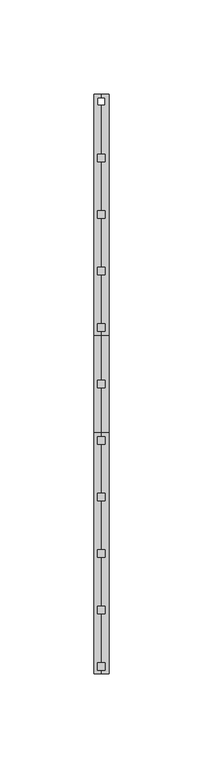
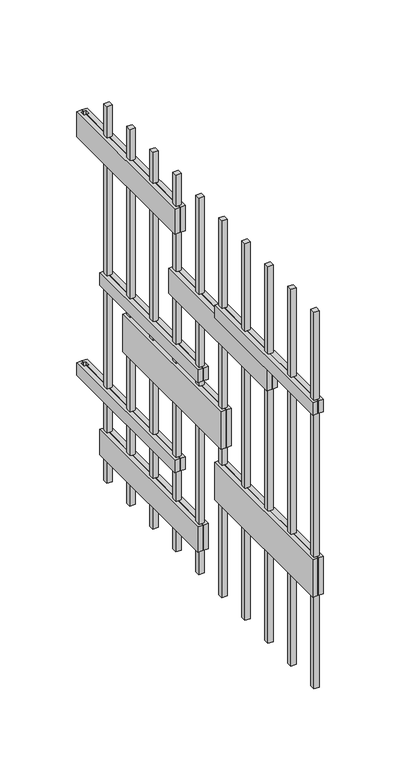
"""IFC4 building model written with IfcOpenShell, lengths in millimetres: proxy geometry."""

from ifc_helpers import new_model, si_unit, frame, origin, origin_with_axes, place, context, project, spatial, polyline, outline, extrude, source, transform, mapped, element, save


def generic_models_24c3d684(model_context):
    return source(origin(), model_context, "Body", "SweptSolid", [
        extrude(outline(polyline([(2.0, -242.0), (-2.0, -242.0), (-2.0, -238.0), (2.0, -238.0), (2.0, -242.0)])), origin_with_axes(), (0.0, 0.0, 1.0), 300.0),
        extrude(outline(polyline([(2.0, -272.0), (-2.0, -272.0), (-2.0, -268.0), (2.0, -268.0), (2.0, -272.0)])), origin_with_axes(), (0.0, 0.0, 1.0), 300.0),
        extrude(outline(polyline([(4.0, 34.0), (4.0, -94.0), (0.0, -94.0), (0.0, -92.0), (2.0, -92.0), (2.0, -88.0), (0.0, -88.0), (0.0, -62.0), (2.0, -62.0), (2.0, -58.0), (0.0, -58.0), (0.0, -32.0), (2.0, -32.0), (2.0, -28.0), (0.0, -28.0), (0.0, -2.0), (2.0, -2.0), (2.0, 2.0), (0.0, 2.0), (0.0, 28.0), (2.0, 28.0), (2.0, 32.0), (0.0, 32.0), (0.0, 34.0), (4.0, 34.0)])), frame((0.0, 0.0, 65.0), z_axis=(0.0, 0.0, 1.0), x_axis=(1.0, 0.0, 0.0)), (0.0, 0.0, 1.0), 10.0),
        extrude(outline(polyline([(4.0, 4.0), (4.0, -124.0), (0.0, -124.0), (0.0, -122.0), (2.0, -122.0), (2.0, -118.0), (0.0, -118.0), (0.0, -92.0), (2.0, -92.0), (2.0, -88.0), (0.0, -88.0), (0.0, -62.0), (2.0, -62.0), (2.0, -58.0), (0.0, -58.0), (0.0, -32.0), (2.0, -32.0), (2.0, -28.0), (0.0, -28.0), (0.0, -2.0), (2.0, -2.0), (2.0, 2.0), (0.0, 2.0), (0.0, 4.0), (4.0, 4.0)])), frame((0.0, 0.0, 20.0), z_axis=(0.0, 0.0, 1.0), x_axis=(1.0, 0.0, 0.0)), (0.0, 0.0, 1.0), 20.0),
        extrude(outline(polyline([(4.0, -146.0), (4.0, -274.0), (0.0, -274.0), (0.0, -272.0), (2.0, -272.0), (2.0, -268.0), (0.0, -268.0), (0.0, -242.0), (2.0, -242.0), (2.0, -238.0), (0.0, -238.0), (0.0, -212.0), (2.0, -212.0), (2.0, -208.0), (0.0, -208.0), (0.0, -182.0), (2.0, -182.0), (2.0, -178.0), (0.0, -178.0), (0.0, -152.0), (2.0, -152.0), (2.0, -148.0), (0.0, -148.0), (0.0, -146.0), (4.0, -146.0)])), frame((0.0, 0.0, 75.0), z_axis=(0.0, 0.0, 1.0), x_axis=(1.0, 0.0, 0.0)), (0.0, 0.0, 1.0), 30.0),
        extrude(outline(polyline([(4.0, -26.0), (4.0, -154.0), (0.0, -154.0), (0.0, -152.0), (2.0, -152.0), (2.0, -148.0), (0.0, -148.0), (0.0, -122.0), (2.0, -122.0), (2.0, -118.0), (0.0, -118.0), (0.0, -92.0), (2.0, -92.0), (2.0, -88.0), (0.0, -88.0), (0.0, -62.0), (2.0, -62.0), (2.0, -58.0), (0.0, -58.0), (0.0, -32.0), (2.0, -32.0), (2.0, -28.0), (0.0, -28.0), (0.0, -26.0), (4.0, -26.0)])), frame((0.0, 0.0, 120.0), z_axis=(0.0, 0.0, 1.0), x_axis=(1.0, 0.0, 0.0)), (0.0, 0.0, 1.0), 30.0),
        extrude(outline(polyline([(4.0, 4.0), (4.0, -124.0), (0.0, -124.0), (0.0, -122.0), (2.0, -122.0), (2.0, -118.0), (0.0, -118.0), (0.0, -92.0), (2.0, -92.0), (2.0, -88.0), (0.0, -88.0), (0.0, -62.0), (2.0, -62.0), (2.0, -58.0), (0.0, -58.0), (0.0, -32.0), (2.0, -32.0), (2.0, -28.0), (0.0, -28.0), (0.0, -2.0), (2.0, -2.0), (2.0, 2.0), (0.0, 2.0), (0.0, 4.0), (4.0, 4.0)])), frame((0.0, 0.0, 155.0), z_axis=(0.0, 0.0, 1.0), x_axis=(1.0, 0.0, 0.0)), (0.0, 0.0, 1.0), 10.0),
        extrude(outline(polyline([(4.0, -86.0), (4.0, -214.0), (0.0, -214.0), (0.0, -212.0), (2.0, -212.0), (2.0, -208.0), (0.0, -208.0), (0.0, -182.0), (2.0, -182.0), (2.0, -178.0), (0.0, -178.0), (0.0, -152.0), (2.0, -152.0), (2.0, -148.0), (0.0, -148.0), (0.0, -122.0), (2.0, -122.0), (2.0, -118.0), (0.0, -118.0), (0.0, -92.0), (2.0, -92.0), (2.0, -88.0), (0.0, -88.0), (0.0, -86.0), (4.0, -86.0)])), frame((0.0, 0.0, 203.0), z_axis=(0.0, 0.0, 1.0), x_axis=(1.0, 0.0, 0.0)), (0.0, 0.0, 1.0), 20.0),
        extrude(outline(polyline([(4.0, -146.0), (4.0, -274.0), (0.0, -274.0), (0.0, -272.0), (2.0, -272.0), (2.0, -268.0), (0.0, -268.0), (0.0, -242.0), (2.0, -242.0), (2.0, -238.0), (0.0, -238.0), (0.0, -212.0), (2.0, -212.0), (2.0, -208.0), (0.0, -208.0), (0.0, -182.0), (2.0, -182.0), (2.0, -178.0), (0.0, -178.0), (0.0, -152.0), (2.0, -152.0), (2.0, -148.0), (0.0, -148.0), (0.0, -146.0), (4.0, -146.0)])), frame((0.0, 0.0, 220.0), z_axis=(0.0, 0.0, 1.0), x_axis=(1.0, 0.0, 0.0)), (0.0, 0.0, 1.0), 10.0),
        extrude(outline(polyline([(4.0, 34.0), (4.0, -94.0), (0.0, -94.0), (0.0, -92.0), (2.0, -92.0), (2.0, -88.0), (0.0, -88.0), (0.0, -62.0), (2.0, -62.0), (2.0, -58.0), (0.0, -58.0), (0.0, -32.0), (2.0, -32.0), (2.0, -28.0), (0.0, -28.0), (0.0, -2.0), (2.0, -2.0), (2.0, 2.0), (0.0, 2.0), (0.0, 28.0), (2.0, 28.0), (2.0, 32.0), (0.0, 32.0), (0.0, 34.0), (4.0, 34.0)])), frame((0.0, 0.0, 255.0), z_axis=(0.0, 0.0, 1.0), x_axis=(1.0, 0.0, 0.0)), (0.0, 0.0, 1.0), 20.0),
        extrude(outline(polyline([(-4.0, -274.0), (-4.0, -146.0), (0.0, -146.0), (0.0, -148.0), (-2.0, -148.0), (-2.0, -152.0), (0.0, -152.0), (0.0, -178.0), (-2.0, -178.0), (-2.0, -182.0), (0.0, -182.0), (0.0, -208.0), (-2.0, -208.0), (-2.0, -212.0), (0.0, -212.0), (0.0, -238.0), (-2.0, -238.0), (-2.0, -242.0), (0.0, -242.0), (0.0, -268.0), (-2.0, -268.0), (-2.0, -272.0), (0.0, -272.0), (0.0, -274.0), (-4.0, -274.0)])), frame((0.0, 0.0, 220.0), z_axis=(0.0, 0.0, 1.0), x_axis=(1.0, 0.0, 0.0)), (0.0, 0.0, 1.0), 10.0),
        extrude(outline(polyline([(-4.0, -274.0), (-4.0, -146.0), (0.0, -146.0), (0.0, -148.0), (-2.0, -148.0), (-2.0, -152.0), (0.0, -152.0), (0.0, -178.0), (-2.0, -178.0), (-2.0, -182.0), (0.0, -182.0), (0.0, -208.0), (-2.0, -208.0), (-2.0, -212.0), (0.0, -212.0), (0.0, -238.0), (-2.0, -238.0), (-2.0, -242.0), (0.0, -242.0), (0.0, -268.0), (-2.0, -268.0), (-2.0, -272.0), (0.0, -272.0), (0.0, -274.0), (-4.0, -274.0)])), frame((0.0, 0.0, 75.0), z_axis=(0.0, 0.0, 1.0), x_axis=(1.0, 0.0, 0.0)), (0.0, 0.0, 1.0), 30.0),
        extrude(outline(polyline([(-4.0, -94.0), (-4.0, 34.0), (0.0, 34.0), (0.0, 32.0), (-2.0, 32.0), (-2.0, 28.0), (0.0, 28.0), (0.0, 2.0), (-2.0, 2.0), (-2.0, -2.0), (0.0, -2.0), (0.0, -28.0), (-2.0, -28.0), (-2.0, -32.0), (0.0, -32.0), (0.0, -58.0), (-2.0, -58.0), (-2.0, -62.0), (0.0, -62.0), (0.0, -88.0), (-2.0, -88.0), (-2.0, -92.0), (0.0, -92.0), (0.0, -94.0), (-4.0, -94.0)])), frame((0.0, 0.0, 255.0), z_axis=(0.0, 0.0, 1.0), x_axis=(1.0, 0.0, 0.0)), (0.0, 0.0, 1.0), 20.0),
        extrude(outline(polyline([(2.0, -212.0), (-2.0, -212.0), (-2.0, -208.0), (2.0, -208.0), (2.0, -212.0)])), origin_with_axes(), (0.0, 0.0, 1.0), 300.0),
        extrude(outline(polyline([(2.0, -182.0), (-2.0, -182.0), (-2.0, -178.0), (2.0, -178.0), (2.0, -182.0)])), origin_with_axes(), (0.0, 0.0, 1.0), 300.0),
        extrude(outline(polyline([(-4.0, -214.0), (-4.0, -86.0), (0.0, -86.0), (0.0, -88.0), (-2.0, -88.0), (-2.0, -92.0), (0.0, -92.0), (0.0, -118.0), (-2.0, -118.0), (-2.0, -122.0), (0.0, -122.0), (0.0, -148.0), (-2.0, -148.0), (-2.0, -152.0), (0.0, -152.0), (0.0, -178.0), (-2.0, -178.0), (-2.0, -182.0), (0.0, -182.0), (0.0, -208.0), (-2.0, -208.0), (-2.0, -212.0), (0.0, -212.0), (0.0, -214.0), (-4.0, -214.0)])), frame((0.0, 0.0, 203.0), z_axis=(0.0, 0.0, 1.0), x_axis=(1.0, 0.0, 0.0)), (0.0, 0.0, 1.0), 20.0),
        extrude(outline(polyline([(-4.0, -94.0), (-4.0, 34.0), (0.0, 34.0), (0.0, 32.0), (-2.0, 32.0), (-2.0, 28.0), (0.0, 28.0), (0.0, 2.0), (-2.0, 2.0), (-2.0, -2.0), (0.0, -2.0), (0.0, -28.0), (-2.0, -28.0), (-2.0, -32.0), (0.0, -32.0), (0.0, -58.0), (-2.0, -58.0), (-2.0, -62.0), (0.0, -62.0), (0.0, -88.0), (-2.0, -88.0), (-2.0, -92.0), (0.0, -92.0), (0.0, -94.0), (-4.0, -94.0)])), frame((0.0, 0.0, 65.0), z_axis=(0.0, 0.0, 1.0), x_axis=(1.0, 0.0, 0.0)), (0.0, 0.0, 1.0), 10.0),
        extrude(outline(polyline([(-4.0, -124.0), (-4.0, 4.0), (0.0, 4.0), (0.0, 2.0), (-2.0, 2.0), (-2.0, -2.0), (0.0, -2.0), (0.0, -28.0), (-2.0, -28.0), (-2.0, -32.0), (0.0, -32.0), (0.0, -58.0), (-2.0, -58.0), (-2.0, -62.0), (0.0, -62.0), (0.0, -88.0), (-2.0, -88.0), (-2.0, -92.0), (0.0, -92.0), (0.0, -118.0), (-2.0, -118.0), (-2.0, -122.0), (0.0, -122.0), (0.0, -124.0), (-4.0, -124.0)])), frame((0.0, 0.0, 20.0), z_axis=(0.0, 0.0, 1.0), x_axis=(1.0, 0.0, 0.0)), (0.0, 0.0, 1.0), 20.0),
        extrude(outline(polyline([(-4.0, -154.0), (-4.0, -26.0), (0.0, -26.0), (0.0, -28.0), (-2.0, -28.0), (-2.0, -32.0), (0.0, -32.0), (0.0, -58.0), (-2.0, -58.0), (-2.0, -62.0), (0.0, -62.0), (0.0, -88.0), (-2.0, -88.0), (-2.0, -92.0), (0.0, -92.0), (0.0, -118.0), (-2.0, -118.0), (-2.0, -122.0), (0.0, -122.0), (0.0, -148.0), (-2.0, -148.0), (-2.0, -152.0), (0.0, -152.0), (0.0, -154.0), (-4.0, -154.0)])), frame((0.0, 0.0, 120.0), z_axis=(0.0, 0.0, 1.0), x_axis=(1.0, 0.0, 0.0)), (0.0, 0.0, 1.0), 30.0),
        extrude(outline(polyline([(-4.0, -124.0), (-4.0, 4.0), (0.0, 4.0), (0.0, 2.0), (-2.0, 2.0), (-2.0, -2.0), (0.0, -2.0), (0.0, -28.0), (-2.0, -28.0), (-2.0, -32.0), (0.0, -32.0), (0.0, -58.0), (-2.0, -58.0), (-2.0, -62.0), (0.0, -62.0), (0.0, -88.0), (-2.0, -88.0), (-2.0, -92.0), (0.0, -92.0), (0.0, -118.0), (-2.0, -118.0), (-2.0, -122.0), (0.0, -122.0), (0.0, -124.0), (-4.0, -124.0)])), frame((0.0, 0.0, 155.0), z_axis=(0.0, 0.0, 1.0), x_axis=(1.0, 0.0, 0.0)), (0.0, 0.0, 1.0), 10.0),
        extrude(outline(polyline([(2.0, -148.0), (2.0, -152.0), (-2.0, -152.0), (-2.0, -148.0), (2.0, -148.0)])), origin_with_axes(), (0.0, 0.0, 1.0), 300.0),
        extrude(outline(polyline([(2.0, -118.0), (2.0, -122.0), (-2.0, -122.0), (-2.0, -118.0), (2.0, -118.0)])), origin_with_axes(), (0.0, 0.0, 1.0), 300.0),
        extrude(outline(polyline([(2.0, -88.0), (2.0, -92.0), (-2.0, -92.0), (-2.0, -88.0), (2.0, -88.0)])), origin_with_axes(), (0.0, 0.0, 1.0), 300.0),
        extrude(outline(polyline([(2.0, -58.0), (2.0, -62.0), (-2.0, -62.0), (-2.0, -58.0), (2.0, -58.0)])), origin_with_axes(), (0.0, 0.0, 1.0), 300.0),
        extrude(outline(polyline([(2.0, -28.0), (2.0, -32.0), (-2.0, -32.0), (-2.0, -28.0), (2.0, -28.0)])), origin_with_axes(), (0.0, 0.0, 1.0), 300.0),
        extrude(outline(polyline([(2.0, 2.0), (2.0, -2.0), (-2.0, -2.0), (-2.0, 2.0), (2.0, 2.0)])), origin_with_axes(), (0.0, 0.0, 1.0), 300.0),
    ])


if __name__ == "__main__":
    model = new_model("IFC4")
    model_context = context("Model", 3, world=origin())
    ifc_project = project(units=[si_unit("LENGTHUNIT", "METRE", prefix="MILLI")], contexts=[model_context])
    site = spatial("IfcSite", under=ifc_project)
    building = spatial("IfcBuilding", under=site)
    placement = place(None, origin())
    generic_models_shape = generic_models_24c3d684(model_context)
    element("IfcBuildingElementProxy", 1, Name="Generic Models", at=placement, inside=building, context=model_context, shape_type="MappedRepresentation", body=[
        mapped(generic_models_shape, transform((0.0, 0.0, 0.0), x_axis=(1.0, 0.0, 0.0), y_axis=(0.0, 1.0, 0.0), z_axis=(0.0, 0.0, 1.0))),
    ])
    save(model, "model.ifc")
